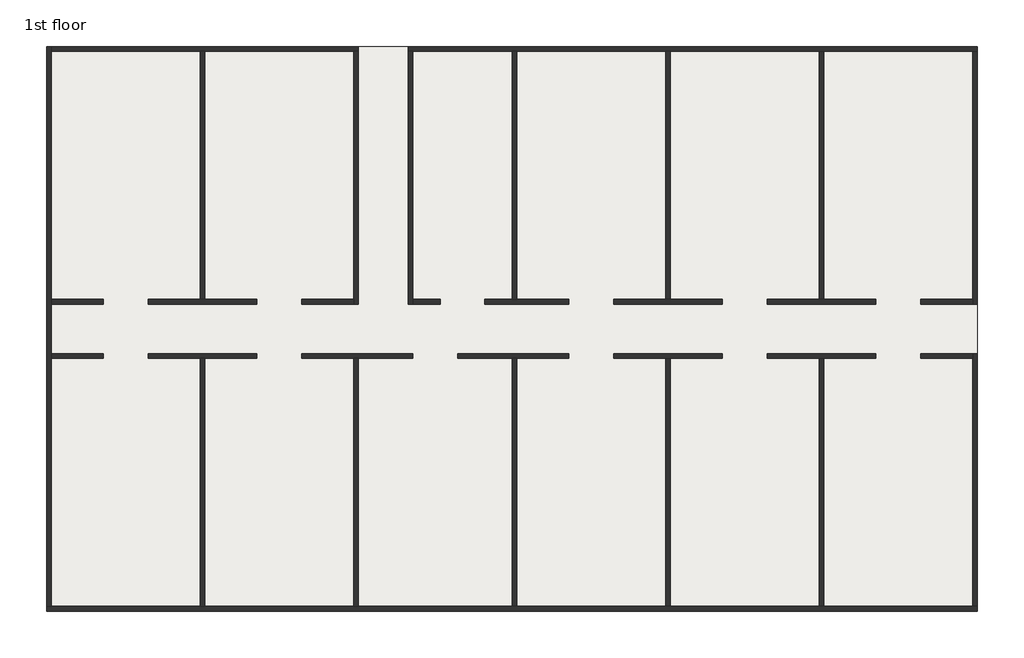
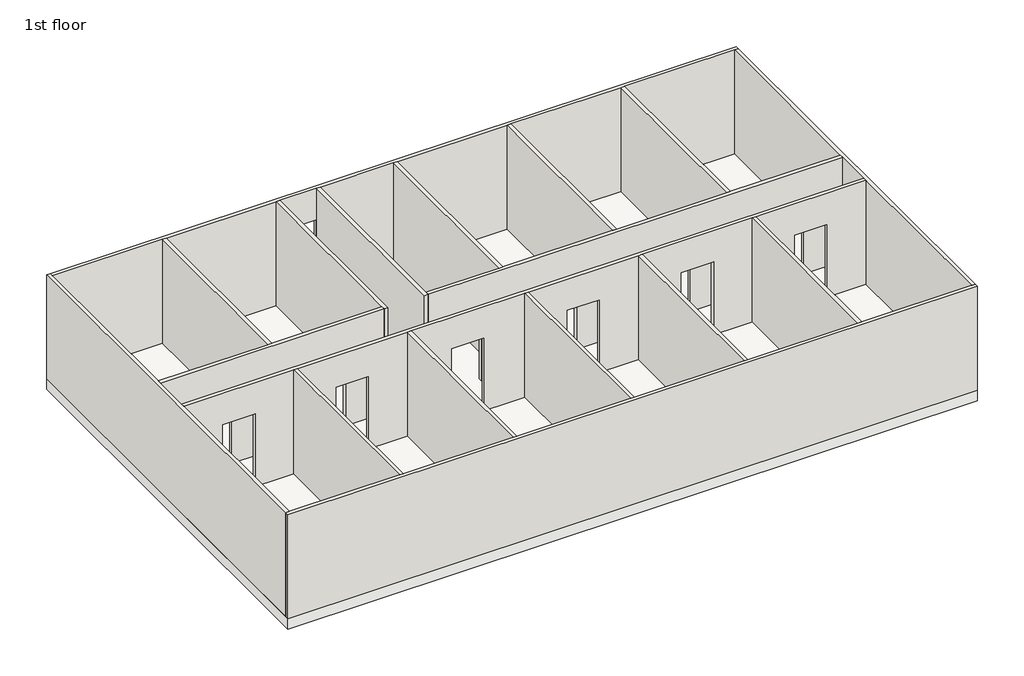
# One storey: 18 walls, 1 slab.
"""IFC4 building model written with IfcOpenShell, lengths in millimetres."""

from ifc_helpers import new_model, si_unit, frame, origin, origin_with_axes, place, context, project, spatial, polyline, outline, extrude, faceted_brep, element, save

model = new_model("IFC4")

# Units and contexts
model_context = context("Model", 3, world=origin())
ifc_project = project(units=[si_unit("LENGTHUNIT", "METRE", prefix="MILLI")], contexts=[model_context])

# Site, building, storey
site = spatial("IfcSite", under=ifc_project)
building = spatial("IfcBuilding", under=site)
storey = spatial("IfcBuildingStorey", under=building, Name="1st floor", Elevation=0.0)

# Slab
placement = place(None, origin())
element("IfcSlab", 1, at=placement, inside=storey, context=model_context, shape_type="SweptSolid", body=[
    extrude(outline(polyline([(19661.159601, 13656.234414), (19661.159601, 2256.234414), (861.159601, 2256.234414), (861.159601, 13656.234414), (19661.159601, 13656.234414)])), frame((0.0, 0.0, -300.0), z_axis=(0.0, 0.0, 1.0), x_axis=(1.0, 0.0, 0.0)), (0.0, 0.0, 1.0), 300.0),
])

# Walls
element("IfcWall", 2, at=placement, inside=storey, context=model_context, shape_type="Brep", body=[
    faceted_brep([(861.159601, 2256.234414, 0.0), (19661.159601, 2256.234414, 0.0), (19661.159601, 2256.234414, 3000.0), (861.159601, 2256.234414, 3000.0), (861.159601, 2356.234414, 0.0), (861.159601, 2356.234414, 3000.0), (961.159601, 2356.234414, 3000.0), (3961.159601, 2356.234414, 3000.0), (4061.159601, 2356.234414, 3000.0), (7061.159601, 2356.234414, 3000.0), (7161.159601, 2356.234414, 3000.0), (10261.159601, 2356.234414, 3000.0), (10361.159601, 2356.234414, 3000.0), (13361.159601, 2356.234414, 3000.0), (13461.159601, 2356.234414, 3000.0), (16461.159601, 2356.234414, 3000.0), (16561.159601, 2356.234414, 3000.0), (19561.159601, 2356.234414, 3000.0), (19661.159601, 2356.234414, 3000.0), (19661.159601, 2356.234414, 0.0), (19561.159601, 2356.234414, 0.0), (16561.159601, 2356.234414, 0.0), (16461.159601, 2356.234414, 0.0), (13461.159601, 2356.234414, 0.0), (13361.159601, 2356.234414, 0.0), (10361.159601, 2356.234414, 0.0), (10261.159601, 2356.234414, 0.0), (7161.159601, 2356.234414, 0.0), (7061.159601, 2356.234414, 0.0), (4061.159601, 2356.234414, 0.0), (3961.159601, 2356.234414, 0.0), (961.159601, 2356.234414, 0.0)], [[[0, 1, 2, 3]], [[4, 5, 6, 7, 8, 9, 10, 11, 12, 13, 14, 15, 16, 17, 18, 19, 20, 21, 22, 23, 24, 25, 26, 27, 28, 29, 30, 31]], [[1, 0, 4, 31, 30, 29, 28, 27, 26, 25, 24, 23, 22, 21, 20, 19]], [[3, 2, 18, 17, 16, 15, 14, 13, 12, 11, 10, 9, 8, 7, 6, 5]], [[2, 1, 19, 18]], [[0, 3, 5, 4]]]),
])
element("IfcWall", 3, at=placement, inside=storey, context=model_context, shape_type="Brep", body=[
    faceted_brep([(19661.159601, 13556.234414, 3000.0), (19661.159601, 2356.234414, 3000.0), (19661.159601, 2356.234414, 0.0), (19661.159601, 7456.234414, 0.0), (19661.159601, 7456.234414, 2100.0), (19661.159601, 8456.234414, 2100.0), (19661.159601, 8456.234414, 0.0), (19661.159601, 13556.234414, 0.0), (19561.159601, 2356.234414, 3000.0), (19561.159601, 7356.234414, 3000.0), (19561.159601, 7456.234414, 3000.0), (19561.159601, 8456.234414, 3000.0), (19561.159601, 8556.234414, 3000.0), (19561.159601, 13556.234414, 3000.0), (19561.159601, 13556.234414, 0.0), (19561.159601, 8556.234414, 0.0), (19561.159601, 8456.234414, 0.0), (19561.159601, 8456.234414, 2100.0), (19561.159601, 7456.234414, 2100.0), (19561.159601, 7456.234414, 0.0), (19561.159601, 7356.234414, 0.0), (19561.159601, 2356.234414, 0.0)], [[[0, 1, 2, 3, 4, 5, 6, 7]], [[8, 9, 10, 11, 12, 13, 14, 15, 16, 17, 18, 19, 20, 21]], [[2, 21, 20, 19, 3]], [[14, 7, 6, 16, 15]], [[1, 0, 13, 12, 11, 10, 9, 8]], [[2, 1, 8, 21]], [[0, 7, 14, 13]], [[5, 17, 16, 6]], [[18, 4, 3, 19]], [[17, 5, 4, 18]]]),
])
element("IfcWall", 4, at=placement, inside=storey, context=model_context, shape_type="Brep", body=[
    faceted_brep([(961.159601, 13656.234414, 3000.0), (19661.159601, 13656.234414, 3000.0), (19661.159601, 13656.234414, 0.0), (8161.159601, 13656.234414, 0.0), (8161.159601, 13656.234414, 2100.0), (7161.159601, 13656.234414, 2100.0), (7161.159601, 13656.234414, 0.0), (961.159601, 13656.234414, 0.0), (19661.159601, 13556.234414, 3000.0), (19561.159601, 13556.234414, 3000.0), (16561.159601, 13556.234414, 3000.0), (16461.159601, 13556.234414, 3000.0), (13461.159601, 13556.234414, 3000.0), (13361.159601, 13556.234414, 3000.0), (10361.159601, 13556.234414, 3000.0), (10261.159601, 13556.234414, 3000.0), (8261.159601, 13556.234414, 3000.0), (8161.159601, 13556.234414, 3000.0), (7161.159601, 13556.234414, 3000.0), (7061.159601, 13556.234414, 3000.0), (4061.159601, 13556.234414, 3000.0), (3961.159601, 13556.234414, 3000.0), (961.159601, 13556.234414, 3000.0), (961.159601, 13556.234414, 0.0), (3961.159601, 13556.234414, 0.0), (4061.159601, 13556.234414, 0.0), (7061.159601, 13556.234414, 0.0), (7161.159601, 13556.234414, 0.0), (7161.159601, 13556.234414, 2100.0), (8161.159601, 13556.234414, 2100.0), (8161.159601, 13556.234414, 0.0), (8261.159601, 13556.234414, 0.0), (10261.159601, 13556.234414, 0.0), (10361.159601, 13556.234414, 0.0), (13361.159601, 13556.234414, 0.0), (13461.159601, 13556.234414, 0.0), (16461.159601, 13556.234414, 0.0), (16561.159601, 13556.234414, 0.0), (19561.159601, 13556.234414, 0.0), (19661.159601, 13556.234414, 0.0)], [[[0, 1, 2, 3, 4, 5, 6, 7]], [[8, 9, 10, 11, 12, 13, 14, 15, 16, 17, 18, 19, 20, 21, 22, 23, 24, 25, 26, 27, 28, 29, 30, 31, 32, 33, 34, 35, 36, 37, 38, 39]], [[2, 39, 38, 37, 36, 35, 34, 33, 32, 31, 30, 3]], [[23, 7, 6, 27, 26, 25, 24]], [[1, 0, 22, 21, 20, 19, 18, 17, 16, 15, 14, 13, 12, 11, 10, 9, 8]], [[2, 1, 8, 39]], [[0, 7, 23, 22]], [[29, 4, 3, 30]], [[5, 28, 27, 6]], [[4, 29, 28, 5]]]),
])
element("IfcWall", 5, at=placement, inside=storey, context=model_context, shape_type="Brep", body=[
    faceted_brep([(861.159601, 13656.234414, 0.0), (861.159601, 2356.234414, 0.0), (861.159601, 2356.234414, 3000.0), (861.159601, 13656.234414, 3000.0), (961.159601, 13656.234414, 0.0), (961.159601, 13656.234414, 3000.0), (961.159601, 13556.234414, 3000.0), (961.159601, 8556.234414, 3000.0), (961.159601, 8456.234414, 3000.0), (961.159601, 7456.234414, 3000.0), (961.159601, 7356.234414, 3000.0), (961.159601, 2356.234414, 3000.0), (961.159601, 2356.234414, 0.0), (961.159601, 7356.234414, 0.0), (961.159601, 7456.234414, 0.0), (961.159601, 8456.234414, 0.0), (961.159601, 8556.234414, 0.0), (961.159601, 13556.234414, 0.0)], [[[0, 1, 2, 3]], [[4, 5, 6, 7, 8, 9, 10, 11, 12, 13, 14, 15, 16, 17]], [[1, 0, 4, 17, 16, 15, 14, 13, 12]], [[3, 2, 11, 10, 9, 8, 7, 6, 5]], [[2, 1, 12, 11]], [[0, 3, 5, 4]]]),
])
element("IfcWall", 6, at=placement, inside=storey, context=model_context, shape_type="Brep", body=[
    faceted_brep([(961.159601, 7356.234414, 0.0), (2011.159601, 7356.234414, 0.0), (2011.159601, 7356.234414, 2100.0), (2911.159601, 7356.234414, 2100.0), (2911.159601, 7356.234414, 0.0), (3961.159601, 7356.234414, 0.0), (4061.159601, 7356.234414, 0.0), (5111.159601, 7356.234414, 0.0), (5111.159601, 7356.234414, 2100.0), (6011.159601, 7356.234414, 2100.0), (6011.159601, 7356.234414, 0.0), (7061.159601, 7356.234414, 0.0), (7161.159601, 7356.234414, 0.0), (8261.159601, 7356.234414, 0.0), (8261.159601, 7356.234414, 2100.0), (9161.159601, 7356.234414, 2100.0), (9161.159601, 7356.234414, 0.0), (10261.159601, 7356.234414, 0.0), (10361.159601, 7356.234414, 0.0), (11411.159601, 7356.234414, 0.0), (11411.159601, 7356.234414, 2100.0), (12311.159601, 7356.234414, 2100.0), (12311.159601, 7356.234414, 0.0), (13361.159601, 7356.234414, 0.0), (13461.159601, 7356.234414, 0.0), (14511.159601, 7356.234414, 0.0), (14511.159601, 7356.234414, 2100.0), (15411.159601, 7356.234414, 2100.0), (15411.159601, 7356.234414, 0.0), (16461.159601, 7356.234414, 0.0), (16561.159601, 7356.234414, 0.0), (17611.159601, 7356.234414, 0.0), (17611.159601, 7356.234414, 2100.0), (18511.159601, 7356.234414, 2100.0), (18511.159601, 7356.234414, 0.0), (19561.159601, 7356.234414, 0.0), (19561.159601, 7356.234414, 3000.0), (16561.159601, 7356.234414, 3000.0), (16461.159601, 7356.234414, 3000.0), (13461.159601, 7356.234414, 3000.0), (13361.159601, 7356.234414, 3000.0), (10361.159601, 7356.234414, 3000.0), (10261.159601, 7356.234414, 3000.0), (7161.159601, 7356.234414, 3000.0), (7061.159601, 7356.234414, 3000.0), (4061.159601, 7356.234414, 3000.0), (3961.159601, 7356.234414, 3000.0), (961.159601, 7356.234414, 3000.0), (2011.159601, 7456.234414, 2100.0), (2011.159601, 7456.234414, 0.0), (961.159601, 7456.234414, 0.0), (961.159601, 7456.234414, 3000.0), (19561.159601, 7456.234414, 3000.0), (19561.159601, 7456.234414, 0.0), (18511.159601, 7456.234414, 0.0), (18511.159601, 7456.234414, 2100.0), (17611.159601, 7456.234414, 2100.0), (17611.159601, 7456.234414, 0.0), (15411.159601, 7456.234414, 0.0), (15411.159601, 7456.234414, 2100.0), (14511.159601, 7456.234414, 2100.0), (14511.159601, 7456.234414, 0.0), (12311.159601, 7456.234414, 0.0), (12311.159601, 7456.234414, 2100.0), (11411.159601, 7456.234414, 2100.0), (11411.159601, 7456.234414, 0.0), (9161.159601, 7456.234414, 0.0), (9161.159601, 7456.234414, 2100.0), (8261.159601, 7456.234414, 2100.0), (8261.159601, 7456.234414, 0.0), (6011.159601, 7456.234414, 0.0), (6011.159601, 7456.234414, 2100.0), (5111.159601, 7456.234414, 2100.0), (5111.159601, 7456.234414, 0.0), (2911.159601, 7456.234414, 0.0), (2911.159601, 7456.234414, 2100.0)], [[[0, 1, 2, 3, 4, 5, 6, 7, 8, 9, 10, 11, 12, 13, 14, 15, 16, 17, 18, 19, 20, 21, 22, 23, 24, 25, 26, 27, 28, 29, 30, 31, 32, 33, 34, 35, 36, 37, 38, 39, 40, 41, 42, 43, 44, 45, 46, 47]], [[48, 49, 50, 51, 52, 53, 54, 55, 56, 57, 58, 59, 60, 61, 62, 63, 64, 65, 66, 67, 68, 69, 70, 71, 72, 73, 74, 75]], [[35, 34, 54, 53]], [[58, 57, 31, 30, 29, 28]], [[25, 24, 23, 22, 62, 61]], [[66, 65, 19, 18, 17, 16]], [[13, 12, 11, 10, 70, 69]], [[74, 73, 7, 6, 5, 4]], [[50, 49, 1, 0]], [[47, 46, 45, 44, 43, 42, 41, 40, 39, 38, 37, 36, 52, 51]], [[0, 47, 51, 50]], [[36, 35, 53, 52]], [[57, 56, 32, 31]], [[55, 54, 34, 33]], [[56, 55, 33, 32]], [[28, 27, 59, 58]], [[26, 25, 61, 60]], [[27, 26, 60, 59]], [[65, 64, 20, 19]], [[63, 62, 22, 21]], [[64, 63, 21, 20]], [[16, 15, 67, 66]], [[14, 13, 69, 68]], [[15, 14, 68, 67]], [[73, 72, 8, 7]], [[71, 70, 10, 9]], [[72, 71, 9, 8]], [[4, 3, 75, 74]], [[2, 1, 49, 48]], [[3, 2, 48, 75]]]),
])
element("IfcWall", 7, at=placement, inside=storey, context=model_context, shape_type="SweptSolid", body=[
    extrude(outline(polyline([(3961.159601, 8556.234414), (3961.159601, 13556.234414), (4061.159601, 13556.234414), (4061.159601, 8556.234414), (3961.159601, 8556.234414)])), origin_with_axes(), (0.0, 0.0, 1.0), 3000.0),
])
element("IfcWall", 8, at=placement, inside=storey, context=model_context, shape_type="Brep", body=[
    faceted_brep([(7061.159601, 13556.234414, 0.0), (7061.159601, 8556.234414, 0.0), (7061.159601, 8456.234414, 0.0), (7061.159601, 8456.234414, 3000.0), (7061.159601, 8556.234414, 3000.0), (7061.159601, 13556.234414, 3000.0), (7161.159601, 13556.234414, 0.0), (7161.159601, 13556.234414, 2100.0), (7161.159601, 13556.234414, 3000.0), (7161.159601, 8456.234414, 3000.0), (7161.159601, 8456.234414, 0.0)], [[[0, 1, 2, 3, 4, 5]], [[6, 7, 8, 9, 10]], [[2, 1, 0, 6, 10]], [[5, 4, 3, 9, 8]], [[0, 5, 8, 7, 6]], [[3, 2, 10, 9]]]),
])
element("IfcWall", 9, at=placement, inside=storey, context=model_context, shape_type="Brep", body=[
    faceted_brep([(8161.159601, 13556.234414, 0.0), (8161.159601, 8456.234414, 0.0), (8161.159601, 8456.234414, 3000.0), (8161.159601, 13556.234414, 3000.0), (8161.159601, 13556.234414, 2100.0), (8261.159601, 13556.234414, 0.0), (8261.159601, 13556.234414, 3000.0), (8261.159601, 8556.234414, 3000.0), (8261.159601, 8456.234414, 3000.0), (8261.159601, 8456.234414, 0.0), (8261.159601, 8556.234414, 0.0)], [[[0, 1, 2, 3, 4]], [[5, 6, 7, 8, 9, 10]], [[1, 0, 5, 10, 9]], [[3, 2, 8, 7, 6]], [[0, 4, 3, 6, 5]], [[2, 1, 9, 8]]]),
])
element("IfcWall", 10, at=placement, inside=storey, context=model_context, shape_type="SweptSolid", body=[
    extrude(outline(polyline([(10261.159601, 8556.234414), (10261.159601, 13556.234414), (10361.159601, 13556.234414), (10361.159601, 8556.234414), (10261.159601, 8556.234414)])), origin_with_axes(), (0.0, 0.0, 1.0), 3000.0),
])
element("IfcWall", 11, at=placement, inside=storey, context=model_context, shape_type="SweptSolid", body=[
    extrude(outline(polyline([(13361.159601, 8556.234414), (13361.159601, 13556.234414), (13461.159601, 13556.234414), (13461.159601, 8556.234414), (13361.159601, 8556.234414)])), origin_with_axes(), (0.0, 0.0, 1.0), 3000.0),
])
element("IfcWall", 12, at=placement, inside=storey, context=model_context, shape_type="SweptSolid", body=[
    extrude(outline(polyline([(16461.159601, 8556.234414), (16461.159601, 13556.234414), (16561.159601, 13556.234414), (16561.159601, 8556.234414), (16461.159601, 8556.234414)])), origin_with_axes(), (0.0, 0.0, 1.0), 3000.0),
])
element("IfcWall", 13, at=placement, inside=storey, context=model_context, shape_type="SweptSolid", body=[
    extrude(outline(polyline([(3961.159601, 2356.234414), (3961.159601, 7356.234414), (4061.159601, 7356.234414), (4061.159601, 2356.234414), (3961.159601, 2356.234414)])), origin_with_axes(), (0.0, 0.0, 1.0), 3000.0),
])
element("IfcWall", 14, at=placement, inside=storey, context=model_context, shape_type="SweptSolid", body=[
    extrude(outline(polyline([(7061.159601, 2356.234414), (7061.159601, 7356.234414), (7161.159601, 7356.234414), (7161.159601, 2356.234414), (7061.159601, 2356.234414)])), origin_with_axes(), (0.0, 0.0, 1.0), 3000.0),
])
element("IfcWall", 15, at=placement, inside=storey, context=model_context, shape_type="SweptSolid", body=[
    extrude(outline(polyline([(10261.159601, 2356.234414), (10261.159601, 7356.234414), (10361.159601, 7356.234414), (10361.159601, 2356.234414), (10261.159601, 2356.234414)])), origin_with_axes(), (0.0, 0.0, 1.0), 3000.0),
])
element("IfcWall", 16, at=placement, inside=storey, context=model_context, shape_type="SweptSolid", body=[
    extrude(outline(polyline([(13361.159601, 2356.234414), (13361.159601, 7356.234414), (13461.159601, 7356.234414), (13461.159601, 2356.234414), (13361.159601, 2356.234414)])), origin_with_axes(), (0.0, 0.0, 1.0), 3000.0),
])
element("IfcWall", 17, at=placement, inside=storey, context=model_context, shape_type="SweptSolid", body=[
    extrude(outline(polyline([(16461.159601, 2356.234414), (16461.159601, 7356.234414), (16561.159601, 7356.234414), (16561.159601, 2356.234414), (16461.159601, 2356.234414)])), origin_with_axes(), (0.0, 0.0, 1.0), 3000.0),
])
element("IfcWall", 18, at=placement, inside=storey, context=model_context, shape_type="Brep", body=[
    faceted_brep([(2911.159601, 8456.234414, 0.0), (5111.159601, 8456.234414, 0.0), (5111.159601, 8456.234414, 2100.0), (6011.159601, 8456.234414, 2100.0), (6011.159601, 8456.234414, 0.0), (7061.159601, 8456.234414, 0.0), (7061.159601, 8456.234414, 3000.0), (961.159601, 8456.234414, 3000.0), (961.159601, 8456.234414, 0.0), (2011.159601, 8456.234414, 0.0), (2011.159601, 8456.234414, 2100.0), (2911.159601, 8456.234414, 2100.0), (5111.159601, 8556.234414, 2100.0), (5111.159601, 8556.234414, 0.0), (4061.159601, 8556.234414, 0.0), (3961.159601, 8556.234414, 0.0), (2911.159601, 8556.234414, 0.0), (2911.159601, 8556.234414, 2100.0), (2011.159601, 8556.234414, 2100.0), (2011.159601, 8556.234414, 0.0), (961.159601, 8556.234414, 0.0), (961.159601, 8556.234414, 3000.0), (3961.159601, 8556.234414, 3000.0), (4061.159601, 8556.234414, 3000.0), (7061.159601, 8556.234414, 3000.0), (7061.159601, 8556.234414, 0.0), (6011.159601, 8556.234414, 0.0), (6011.159601, 8556.234414, 2100.0)], [[[0, 1, 2, 3, 4, 5, 6, 7, 8, 9, 10, 11]], [[12, 13, 14, 15, 16, 17, 18, 19, 20, 21, 22, 23, 24, 25, 26, 27]], [[9, 8, 20, 19]], [[26, 25, 5, 4]], [[16, 15, 14, 13, 1, 0]], [[7, 6, 24, 23, 22, 21]], [[18, 17, 11, 10]], [[17, 16, 0, 11]], [[19, 18, 10, 9]], [[3, 2, 12, 27]], [[2, 1, 13, 12]], [[4, 3, 27, 26]], [[8, 7, 21, 20]], [[6, 5, 25, 24]]]),
])
element("IfcWall", 19, at=placement, inside=storey, context=model_context, shape_type="Brep", body=[
    faceted_brep([(18511.159601, 8456.234414, 2100.0), (18511.159601, 8456.234414, 0.0), (19561.159601, 8456.234414, 0.0), (19561.159601, 8456.234414, 2100.0), (19561.159601, 8456.234414, 3000.0), (8261.159601, 8456.234414, 3000.0), (8261.159601, 8456.234414, 0.0), (8811.159601, 8456.234414, 0.0), (8811.159601, 8456.234414, 2100.0), (9711.159601, 8456.234414, 2100.0), (9711.159601, 8456.234414, 0.0), (11411.159601, 8456.234414, 0.0), (11411.159601, 8456.234414, 2100.0), (12311.159601, 8456.234414, 2100.0), (12311.159601, 8456.234414, 0.0), (14511.159601, 8456.234414, 0.0), (14511.159601, 8456.234414, 2100.0), (15411.159601, 8456.234414, 2100.0), (15411.159601, 8456.234414, 0.0), (17611.159601, 8456.234414, 0.0), (17611.159601, 8456.234414, 2100.0), (19561.159601, 8556.234414, 0.0), (18511.159601, 8556.234414, 0.0), (18511.159601, 8556.234414, 2100.0), (17611.159601, 8556.234414, 2100.0), (17611.159601, 8556.234414, 0.0), (16561.159601, 8556.234414, 0.0), (16461.159601, 8556.234414, 0.0), (15411.159601, 8556.234414, 0.0), (15411.159601, 8556.234414, 2100.0), (14511.159601, 8556.234414, 2100.0), (14511.159601, 8556.234414, 0.0), (13461.159601, 8556.234414, 0.0), (13361.159601, 8556.234414, 0.0), (12311.159601, 8556.234414, 0.0), (12311.159601, 8556.234414, 2100.0), (11411.159601, 8556.234414, 2100.0), (11411.159601, 8556.234414, 0.0), (10361.159601, 8556.234414, 0.0), (10261.159601, 8556.234414, 0.0), (9711.159601, 8556.234414, 0.0), (9711.159601, 8556.234414, 2100.0), (8811.159601, 8556.234414, 2100.0), (8811.159601, 8556.234414, 0.0), (8261.159601, 8556.234414, 0.0), (8261.159601, 8556.234414, 3000.0), (10261.159601, 8556.234414, 3000.0), (10361.159601, 8556.234414, 3000.0), (13361.159601, 8556.234414, 3000.0), (13461.159601, 8556.234414, 3000.0), (16461.159601, 8556.234414, 3000.0), (16561.159601, 8556.234414, 3000.0), (19561.159601, 8556.234414, 3000.0)], [[[0, 1, 2, 3, 4, 5, 6, 7, 8, 9, 10, 11, 12, 13, 14, 15, 16, 17, 18, 19, 20]], [[21, 22, 23, 24, 25, 26, 27, 28, 29, 30, 31, 32, 33, 34, 35, 36, 37, 38, 39, 40, 41, 42, 43, 44, 45, 46, 47, 48, 49, 50, 51, 52]], [[7, 6, 44, 43]], [[15, 14, 34, 33, 32, 31]], [[19, 18, 28, 27, 26, 25]], [[2, 1, 22, 21]], [[40, 39, 38, 37, 11, 10]], [[5, 4, 52, 51, 50, 49, 48, 47, 46, 45]], [[4, 3, 2, 21, 52]], [[42, 41, 9, 8]], [[41, 40, 10, 9]], [[43, 42, 8, 7]], [[13, 12, 36, 35]], [[12, 11, 37, 36]], [[14, 13, 35, 34]], [[30, 29, 17, 16]], [[29, 28, 18, 17]], [[31, 30, 16, 15]], [[24, 23, 0, 20]], [[23, 22, 1, 0]], [[25, 24, 20, 19]], [[6, 5, 45, 44]]]),
])

save(model, "model.ifc")
